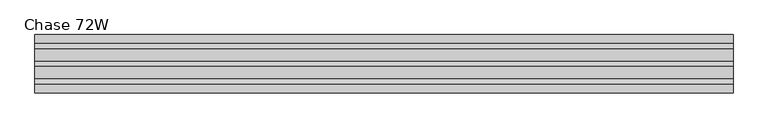
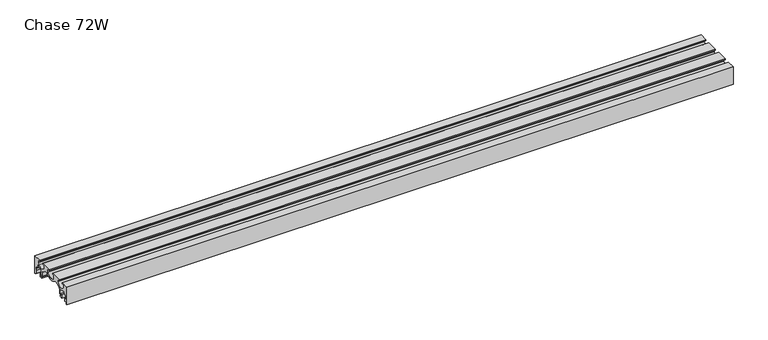
"""IFC4 building model written with IfcOpenShell, lengths in millimetres: furniture geometry, Chase 72W."""

from ifc_helpers import new_model, si_unit, point, frame, frame_2d, origin, place, context, project, spatial, polyline, circle_curve, trimmed, segment, composite_curve, outline, extrude, source, transform, mapped, element, save


def chase_72w_e505b6bb(model_context):
    return source(origin(), model_context, "Body", "SweptSolid", [
        extrude(outline(composite_curve([segment(polyline([(76.2, 625.0939671), (73.1519984, 625.0939671), (73.1519984, 636.0114693), (69.7230016, 636.0114693), (69.7230016, 629.7431746), (66.675, 629.7431746), (66.675, 639.0639719), (73.1519984, 639.0639719), (73.1519984, 646.9289715), (67.1194996, 646.9289715), (62.8014992, 651.5100145), (62.8014992, 654.2731932)]), True, "CONTINUOUS"), segment(trimmed(circle_curve(frame_2d((61.2689815, 654.2731932)), 1.5325176), [point((62.8014992, 654.2731932))], [point((60.443958, 655.5646832))], True, "CARTESIAN"), True, "CONTINUOUS"), segment(trimmed(circle_curve(frame_2d((45.7854705, 678.5110487)), 27.2287889), [point((60.443958, 655.5646832))], [point((47.15276, 651.3166106))], False, "CARTESIAN"), True, "CONTINUOUS"), segment(trimmed(circle_curve(frame_2d((47.2687964, 649.0087274)), 2.3107984), [point((47.15276, 651.3166106))], [point((44.957998, 649.0087274))], True, "CARTESIAN"), True, "CONTINUOUS"), segment(polyline([(44.957998, 649.0087274), (44.957998, 639.0639719), (51.4350009, 639.0639719), (51.4350009, 629.5389719), (43.5365777, 629.5389719), (43.5365777, 632.586969), (48.3869993, 632.586969), (48.3869993, 636.0159748), (41.9100009, 636.0159748), (41.9100009, 649.5453748)]), True, "CONTINUOUS"), segment(trimmed(circle_curve(frame_2d((39.0714407, 649.5453748)), 2.8385603), [point((41.9100009, 649.5453748))], [point((39.705064, 652.3123128))], True, "CARTESIAN"), True, "CONTINUOUS"), segment(trimmed(circle_curve(frame_2d((43.855594, 670.4370539)), 18.5939007), [point((39.705064, 652.3123128))], [point((29.8324836, 658.2269959))], False, "CARTESIAN"), True, "CONTINUOUS"), segment(trimmed(circle_curve(frame_2d((26.7329772, 655.5282257)), 4.1097811), [point((29.8324836, 658.2269959))], [point((26.7329772, 659.6380068))], True, "CARTESIAN"), True, "CONTINUOUS"), segment(polyline([(26.7329772, 659.6380068), (20.668497, 659.6380068)]), True, "CONTINUOUS"), segment(trimmed(circle_curve(frame_2d((20.668497, 653.2880068)), 6.35), [point((20.668497, 659.6380068))], [point((16.3430808, 657.9370147))], True, "CARTESIAN"), True, "CONTINUOUS"), segment(trimmed(circle_curve(frame_2d((0.0, 675.5027493)), 23.9927348), [point((16.3430808, 657.9370147))], [point((-16.3430808, 657.9370147))], False, "CARTESIAN"), True, "CONTINUOUS"), segment(trimmed(circle_curve(frame_2d((-20.668497, 653.2880068)), 6.35), [point((-16.3430808, 657.9370147))], [point((-20.668497, 659.6380068))], True, "CARTESIAN"), True, "CONTINUOUS"), segment(polyline([(-20.668497, 659.6380068), (-26.7329772, 659.6380068)]), True, "CONTINUOUS"), segment(trimmed(circle_curve(frame_2d((-26.7329772, 655.5282257)), 4.1097811), [point((-26.7329772, 659.6380068))], [point((-29.8324836, 658.2269959))], True, "CARTESIAN"), True, "CONTINUOUS"), segment(trimmed(circle_curve(frame_2d((-43.855594, 670.4370539)), 18.5939007), [point((-29.8324836, 658.2269959))], [point((-39.705064, 652.3123128))], False, "CARTESIAN"), True, "CONTINUOUS"), segment(trimmed(circle_curve(frame_2d((-39.0714407, 649.5453748)), 2.8385603), [point((-39.705064, 652.3123128))], [point((-41.9100009, 649.5453748))], True, "CARTESIAN"), True, "CONTINUOUS"), segment(polyline([(-41.9100009, 649.5453748), (-41.9100009, 636.0159748), (-48.3869993, 636.0159748), (-48.3869993, 632.586969), (-43.5365777, 632.586969), (-43.5365777, 629.5389719), (-51.4350009, 629.5389719), (-51.4350009, 639.0639719), (-44.957998, 639.0639719), (-44.957998, 649.0087274)]), True, "CONTINUOUS"), segment(trimmed(circle_curve(frame_2d((-47.2687964, 649.0087274)), 2.3107984), [point((-44.957998, 649.0087274))], [point((-47.15276, 651.3166106))], True, "CARTESIAN"), True, "CONTINUOUS"), segment(trimmed(circle_curve(frame_2d((-45.7854705, 678.5110487)), 27.2287889), [point((-47.15276, 651.3166106))], [point((-60.443958, 655.5646832))], False, "CARTESIAN"), True, "CONTINUOUS"), segment(trimmed(circle_curve(frame_2d((-61.2689815, 654.2731932)), 1.5325176), [point((-60.443958, 655.5646832))], [point((-62.8014992, 654.2731932))], True, "CARTESIAN"), True, "CONTINUOUS"), segment(polyline([(-62.8014992, 654.2731932), (-62.8014992, 651.5100145), (-67.1194996, 646.9289715), (-73.1519984, 646.9289715), (-73.1519984, 639.0639719), (-66.675, 639.0639719), (-66.675, 629.7431746), (-69.7230016, 629.7431746), (-69.7230016, 636.0114693), (-73.1519984, 636.0114693), (-73.1519984, 625.0939671), (-76.2, 625.0939671), (-76.2, 675.8939913), (-54.1019984, 675.8939913), (-54.1019984, 672.8459942), (-60.5790013, 672.8459942), (-60.5790013, 664.9719835)]), True, "CONTINUOUS"), segment(trimmed(circle_curve(frame_2d((-46.4820011, 671.6224146)), 15.5869704), [point((-60.5790013, 664.9719835))], [point((-32.3850009, 664.9719835))], True, "CARTESIAN"), True, "CONTINUOUS"), segment(polyline([(-32.3850009, 664.9719835), (-32.3850009, 672.8459942), (-38.8619993, 672.8459942), (-38.8619993, 675.8939913), (-7.6200001, 675.8939913), (-7.6200001, 672.8459942), (-14.0970002, 672.8459942), (-14.0970002, 664.9719835)]), True, "CONTINUOUS"), segment(trimmed(circle_curve(frame_2d((0.0, 671.6224146)), 15.5869704), [point((-14.0970002, 664.9719835))], [point((14.0970002, 664.9719835))], True, "CARTESIAN"), True, "CONTINUOUS"), segment(polyline([(14.0970002, 664.9719835), (14.0970002, 672.8459942), (7.6200001, 672.8459942), (7.6200001, 675.8939913), (38.8619993, 675.8939913), (38.8619993, 672.8459942), (32.3850009, 672.8459942), (32.3850009, 664.9719835)]), True, "CONTINUOUS"), segment(trimmed(circle_curve(frame_2d((46.4820011, 671.6224146)), 15.5869704), [point((32.3850009, 664.9719835))], [point((60.5790013, 664.9719835))], True, "CARTESIAN"), True, "CONTINUOUS"), segment(polyline([(60.5790013, 664.9719835), (60.5790013, 672.8459942), (54.1019984, 672.8459942), (54.1019984, 675.8939913), (76.2, 675.8939913), (76.2, 625.0939671)]), True, "CONTINUOUS")], self_intersect=False)), frame((0.0, 0.0, 0.0), z_axis=(1.0, 0.0, 0.0), x_axis=(0.0, 1.0, 0.0)), (0.0, 0.0, 1.0), 1828.8),
    ])


if __name__ == "__main__":
    model = new_model("IFC4")
    model_context = context("Model", 3, world=origin())
    ifc_project = project(units=[si_unit("LENGTHUNIT", "METRE", prefix="MILLI")], contexts=[model_context])
    site = spatial("IfcSite", under=ifc_project)
    building = spatial("IfcBuilding", under=site)
    placement = place(None, origin())
    chase_72w_shape = chase_72w_e505b6bb(model_context)
    element("IfcFurniture", 1, ObjectType="Chase 72W", at=placement, inside=building, context=model_context, shape_type="MappedRepresentation", body=[
        mapped(chase_72w_shape, transform((0.0, 0.0, 0.0), x_axis=(1.0, 0.0, 0.0), y_axis=(0.0, 1.0, 0.0), z_axis=(0.0, 0.0, 1.0))),
    ])
    save(model, "model.ifc")
